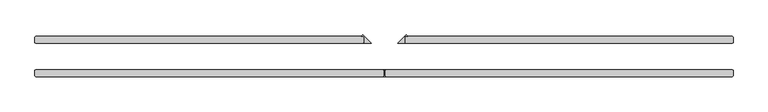
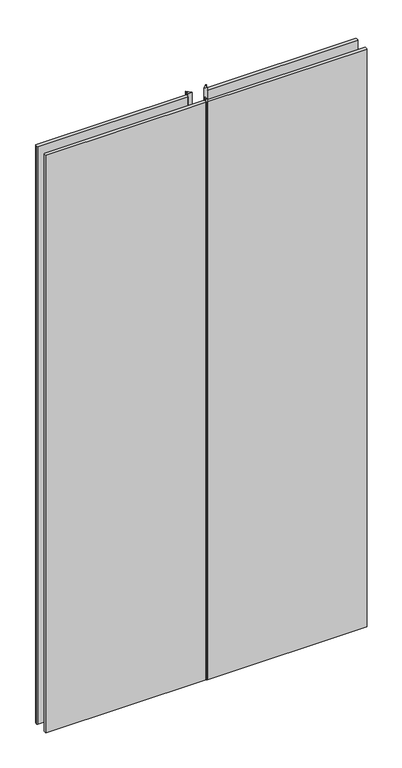
"""IFC4 building model written with IfcOpenShell, lengths in millimetres: plate geometry."""

from ifc_helpers import new_model, si_unit, frame, origin, place, context, project, spatial, polyline, outline, extrude, source, transform, mapped, element, save


def plate_547d3df0(model_context):
    return source(origin(), model_context, "Body", "SweptSolid", [
        extrude(outline(polyline([(-35.71875, 25.4), (-35.71875, 34.925), (-37.30625, 36.5125), (-41.138814, 36.5125), (-38.428782, 39.222532), (-23.01875, 23.8125), (-37.30625, 23.8125), (-35.71875, 25.4)])), frame((0.0, 0.0, 6.35), z_axis=(0.0, 0.0, 1.0), x_axis=(1.0, 0.0, 0.0)), (0.0, 0.0, 1.0), 2422.4289267),
        extrude(outline(polyline([(37.30625, 25.4), (38.89375, 23.8125), (24.60625, 23.8125), (40.016282, 39.222532), (42.726314, 36.5125), (38.89375, 36.5125), (37.30625, 34.925), (37.30625, 25.4)])), frame((0.0, 0.0, 6.35), z_axis=(0.0, 0.0, 1.0), x_axis=(1.0, 0.0, 0.0)), (0.0, 0.0, 1.0), 2422.4289267),
        extrude(outline(polyline([(-632.61875, 23.8125), (-634.20625, 25.4), (-634.20625, 34.925), (-632.61875, 36.5125), (-37.30625, 36.5125), (-35.71875, 34.925), (-35.71875, 25.4), (-37.30625, 23.8125), (-632.61875, 23.8125)])), frame((0.0, 0.0, 6.35), z_axis=(0.0, 0.0, 1.0), x_axis=(1.0, 0.0, 0.0)), (0.0, 0.0, 1.0), 2409.7289267),
        extrude(outline(polyline([(-632.61875, -36.5125), (-634.20625, -34.925), (-634.20625, -25.4), (-632.61875, -23.8125), (-1.5875, -23.8125), (0.0, -25.4), (0.0, -34.925), (-1.5875, -36.5125), (-632.61875, -36.5125)])), frame((0.0, 0.0, 6.35), z_axis=(0.0, 0.0, 1.0), x_axis=(1.0, 0.0, 0.0)), (0.0, 0.0, 1.0), 2409.7289267),
        extrude(outline(polyline([(3.175, -36.5125), (-1.5875, -36.5125), (0.0, -34.925), (0.0, -25.4), (-1.5875, -23.8125), (3.175, -23.8125), (1.5875, -25.4), (1.5875, -34.925), (3.175, -36.5125)])), frame((0.0, 0.0, 6.35), z_axis=(0.0, 0.0, 1.0), x_axis=(1.0, 0.0, 0.0)), (0.0, 0.0, 1.0), 2422.4289267),
        extrude(outline(polyline([(632.61875, 23.8125), (38.89375, 23.8125), (37.30625, 25.4), (37.30625, 34.925), (38.89375, 36.5125), (632.61875, 36.5125), (634.20625, 34.925), (634.20625, 25.4), (632.61875, 23.8125)])), frame((0.0, 0.0, 6.35), z_axis=(0.0, 0.0, 1.0), x_axis=(1.0, 0.0, 0.0)), (0.0, 0.0, 1.0), 2409.7289267),
        extrude(outline(polyline([(632.61875, -36.5125), (3.175, -36.5125), (1.5875, -34.925), (1.5875, -25.4), (3.175, -23.8125), (632.61875, -23.8125), (634.20625, -25.4), (634.20625, -34.925), (632.61875, -36.5125)])), frame((0.0, 0.0, 6.35), z_axis=(0.0, 0.0, 1.0), x_axis=(1.0, 0.0, 0.0)), (0.0, 0.0, 1.0), 2409.7289267),
    ])


if __name__ == "__main__":
    model = new_model("IFC4")
    model_context = context("Model", 3, world=origin())
    ifc_project = project(units=[si_unit("LENGTHUNIT", "METRE", prefix="MILLI")], contexts=[model_context])
    site = spatial("IfcSite", under=ifc_project)
    building = spatial("IfcBuilding", under=site)
    placement = place(None, origin())
    plate_shape = plate_547d3df0(model_context)
    element("IfcPlate", 1, at=placement, inside=building, context=model_context, shape_type="MappedRepresentation", body=[
        mapped(plate_shape, transform((0.0, 0.0, 0.0), x_axis=(1.0, 0.0, 0.0), y_axis=(0.0, 1.0, 0.0), z_axis=(0.0, 0.0, 1.0))),
    ])
    save(model, "model.ifc")
